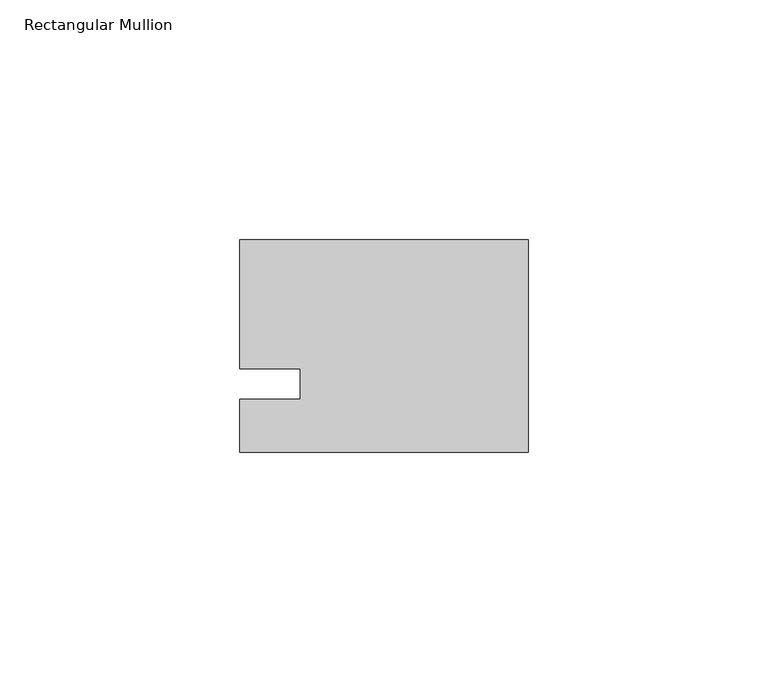
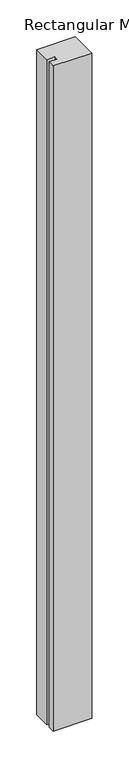
"""IFC4 building model written with IfcOpenShell, lengths in millimetres: member geometry, Rectangular Mullion."""

from ifc_helpers import new_model, si_unit, frame, origin, place, context, project, spatial, polyline, outline, extrude, source, transform, mapped, element, save


def rectangular_mullion_87e2b1fa(model_context):
    return source(origin(), model_context, "Body", "SweptSolid", [
        extrude(outline(polyline([(-60.325, 30.1625), (0.0, 30.1625), (0.0, -14.2875), (-60.325, -14.2875), (-60.325, -3.175), (-47.6232296, -3.175), (-47.6232296, 3.175), (-60.325, 3.175), (-60.325, 30.1625)])), frame((0.0, 0.0, -1099.7094027), z_axis=(0.0, 0.0, 1.0), x_axis=(1.0, 0.0, 0.0)), (0.0, 0.0, 1.0), 1099.7094027),
    ])


if __name__ == "__main__":
    model = new_model("IFC4")
    model_context = context("Model", 3, world=origin())
    ifc_project = project(units=[si_unit("LENGTHUNIT", "METRE", prefix="MILLI")], contexts=[model_context])
    site = spatial("IfcSite", under=ifc_project)
    building = spatial("IfcBuilding", under=site)
    placement = place(None, origin())
    rectangular_mullion_shape = rectangular_mullion_87e2b1fa(model_context)
    element("IfcMember", 1, ObjectType="Rectangular Mullion", at=placement, inside=building, context=model_context, shape_type="MappedRepresentation", body=[
        mapped(rectangular_mullion_shape, transform((0.0, 0.0, 0.0), x_axis=(1.0, 0.0, 0.0), y_axis=(0.0, 1.0, 0.0), z_axis=(0.0, 0.0, 1.0))),
    ])
    save(model, "model.ifc")
